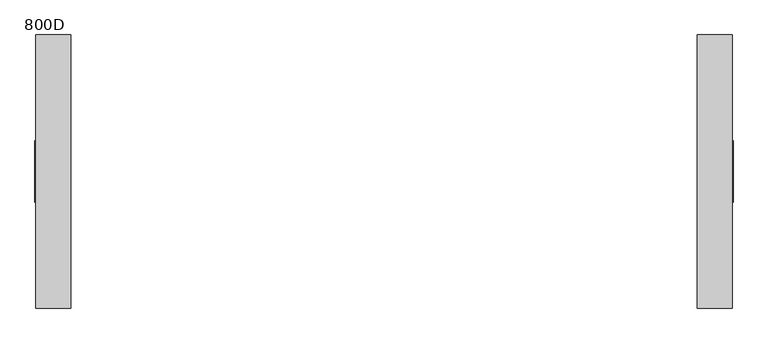
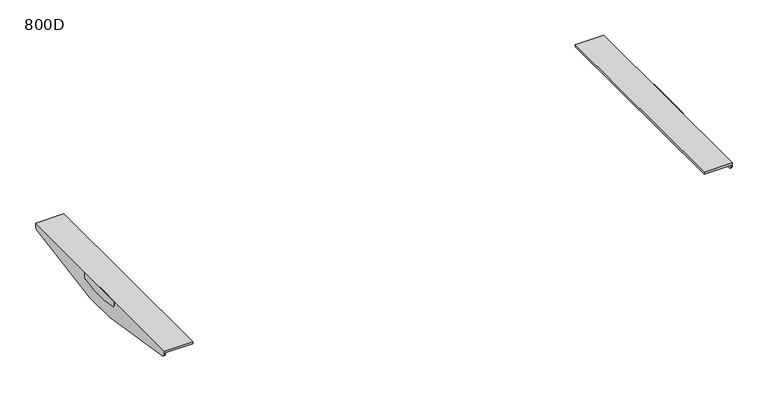
"""IFC4 building model written with IfcOpenShell, lengths in millimetres: furniture geometry, 800D."""

from ifc_helpers import new_model, si_unit, point, frame, frame_2d, origin, place, context, project, spatial, polyline, circle_curve, trimmed, segment, composite_curve, outline, extrude, source, transform, mapped, element, save
from ifc_brep_helpers import plane_surface, cylinder_surface, advanced_brep


def furniture_800d_034d00af(model_context):
    return source(origin(), model_context, "Body", "SolidModel", [
        advanced_brep(
        [(733.0000006, 287.4963324, 716.0), (733.0000006, 287.4963324, 708.4998128), (730.0000009, 287.4963324, 708.4998128), (730.0000009, 287.4963324, 710.4999723), (660.0000017, 287.4963324, 710.4999723), (660.0000017, 287.4963324, 716.0), (730.0000009, -287.5036993, 710.4999723), (730.0000009, -287.5036993, 708.4997591), (733.0000006, -287.5036993, 708.4997591), (733.0000006, -287.5036993, 716.0), (660.0000017, -287.5036993, 716.0), (660.0000017, -287.5036993, 710.4999723), (730.0000009, 279.1076002, 698.6304207), (730.0000009, 42.4967459, 660.0), (730.0000009, -42.5041219, 660.0), (730.0000009, -279.1150126, 698.6304207), (733.0000006, -279.1150126, 698.6304207), (733.0000006, -42.5041219, 660.0), (733.0000006, 42.4967459, 660.0), (733.0000006, 279.1076002, 698.6304207)],
        [
            (0, 1),
            (1, 2),
            (2, 3),
            (3, 4),
            (4, 5),
            (5, 0),
            (6, 7),
            (7, 8),
            (8, 9),
            (9, 10),
            (10, 11),
            (11, 6),
            (2, 12, circle_curve(frame((730.0000009, 277.4962677, 708.4998128), z_axis=(-1.0, 0.0, 0.0), x_axis=(0.0, -1.0, 0.0)), 10.0000647)),
            (12, 13),
            (13, 14),
            (14, 15),
            (15, 7, circle_curve(frame((730.0000009, -277.503689, 708.4997591), z_axis=(-1.0, 0.0, 0.0), x_axis=(0.0, -1.0, 0.0)), 10.0000103)),
            (6, 3),
            (11, 4),
            (10, 5),
            (9, 0),
            (8, 16, circle_curve(frame((733.0000006, -277.503689, 708.4997591), z_axis=(1.0, 0.0, 0.0), x_axis=(0.0, -1.0, 0.0)), 10.0000103)),
            (16, 17),
            (17, 18),
            (18, 19),
            (19, 1, circle_curve(frame((733.0000006, 277.4962677, 708.4998128), z_axis=(1.0, 0.0, 0.0), x_axis=(0.0, -1.0, 0.0)), 10.0000647)),
            (17, 14),
            (13, 18),
            (16, 15),
            (12, 19),
        ],
        [
            plane_surface(frame((733.0000006, 287.4963324, 660.0), z_axis=(0.0, 1.0, 0.0), x_axis=(1.0, 0.0, 0.0))),
            plane_surface(frame((733.0000006, -287.5036993, 660.0), z_axis=(0.0, -1.0, 0.0), x_axis=(-1.0, 0.0, 0.0))),
            plane_surface(frame((730.0000009, 287.4963324, 710.4999723), z_axis=(-1.0, 0.0, 0.0), x_axis=(0.0, -1.0, 0.0))),
            plane_surface(frame((660.0000017, 287.4963324, 710.4999723), z_axis=(0.0, 0.0, -1.0), x_axis=(0.0, -1.0, 0.0))),
            plane_surface(frame((660.0000017, 287.4963324, 716.0), z_axis=(-1.0, 0.0, 0.0), x_axis=(0.0, -1.0, 0.0))),
            plane_surface(frame((733.0000006, 287.4963324, 716.0), z_axis=(0.0, 0.0, 1.0), x_axis=(0.0, -1.0, 0.0))),
            plane_surface(frame((733.0000006, 287.4963324, 660.0), z_axis=(1.0, 0.0, 0.0), x_axis=(0.0, -1.0, 0.0))),
            plane_surface(frame((730.0000009, 287.4963324, 660.0), z_axis=(0.0, 0.0, -1.0), x_axis=(0.0, -1.0, 0.0))),
            plane_surface(frame((660.0000017, -42.5041219, 660.0), z_axis=(0.0, -0.16113218812194072, -0.9869328335560813), x_axis=(1.0, 0.0, 0.0))),
            cylinder_surface(frame((735.0, -277.503689, 708.4997591), z_axis=(1.0, 0.0, 0.0), x_axis=(0.0, -1.0, 0.0)), 10.0000103),
            plane_surface(frame((660.0000017, 279.1076002, 698.6304207), z_axis=(0.0, 0.16113221222328436, -0.9869328296211605), x_axis=(1.0, 0.0, 0.0))),
            cylinder_surface(frame((1200.0, 277.4962677, 708.4998128), z_axis=(1.0, 0.0, 0.0), x_axis=(0.0, -1.0, 0.0)), 10.0000647),
        ],
        [
            (0, [[1, 2, 3, 4, 5, 6]]),
            (1, [[7, 8, 9, 10, 11, 12]]),
            (2, [[-3, 13, 14, 15, 16, 17, -7, 18]]),
            (3, [[-18, -12, 19, -4]]),
            (4, [[-19, -11, 20, -5]]),
            (5, [[-20, -10, 21, -6]]),
            (6, [[-9, 22, 23, 24, 25, 26, -1, -21]]),
            (7, [[27, -15, 28, -24]]),
            (8, [[-16, -27, -23, 29]]),
            (9, [[-22, -8, -17, -29]]),
            (10, [[-25, -28, -14, 30]]),
            (11, [[-13, -2, -26, -30]]),
        ],
    ),
        extrude(outline(composite_curve([segment(polyline([(64.9962871, 716.0), (64.9962871, 705.7477915)]), True, "CONTINUOUS"), segment(trimmed(circle_curve(frame_2d((59.996269, 705.7477915)), 5.0000181), [point((64.9962871, 705.7477915))], [point((60.8043191, 700.8134996))], False, "CARTESIAN"), True, "CONTINUOUS"), segment(polyline([(60.8043191, 700.8134996), (21.9956935, 694.5405645), (-22.2562903, 694.5405645), (-60.8052275, 700.8531775)]), True, "CONTINUOUS"), segment(trimmed(circle_curve(frame_2d((-60.0513722, 705.7477915)), 4.9523271), [point((-60.8052275, 700.8531775))], [point((-65.0036994, 705.7477915))], False, "CARTESIAN"), True, "CONTINUOUS"), segment(polyline([(-65.0036994, 705.7477915), (-65.0036994, 716.0), (64.9962871, 716.0)]), True, "CONTINUOUS")], self_intersect=False)), frame((733.0000006, 0.0, 0.0), z_axis=(1.0, 0.0, 0.0), x_axis=(0.0, 1.0, 0.0)), (0.0, 0.0, 1.0), 1.9999994),
        advanced_brep(
        [(-730.0000009, 287.4963324, 710.4999723), (-730.0000009, 287.4963324, 708.4998128), (-733.0000006, 287.4963324, 708.4998128), (-733.0000006, 287.4963324, 716.0), (-660.0000017, 287.4963324, 716.0), (-660.0000017, 287.4963324, 710.4999723), (-733.0000006, -287.5036993, 716.0), (-733.0000006, -287.5036993, 708.4997591), (-730.0000009, -287.5036993, 708.4997591), (-730.0000009, -287.5036993, 710.4999723), (-660.0000017, -287.5036993, 710.4999723), (-660.0000017, -287.5036993, 716.0), (-730.0000009, -279.1150126, 698.6304207), (-730.0000009, -42.5041219, 660.0), (-730.0000009, 42.4967459, 660.0), (-730.0000009, 279.1076002, 698.6304207), (-733.0000006, 279.1076002, 698.6304207), (-733.0000006, 42.4967459, 660.0), (-733.0000006, -42.5041219, 660.0), (-733.0000006, -279.1150126, 698.6304207)],
        [
            (0, 1),
            (1, 2),
            (2, 3),
            (3, 4),
            (4, 5),
            (5, 0),
            (6, 7),
            (7, 8),
            (8, 9),
            (9, 10),
            (10, 11),
            (11, 6),
            (8, 12, circle_curve(frame((-730.0000009, -277.503689, 708.4997591), z_axis=(1.0, 0.0, 0.0), x_axis=(0.0, -1.0, 0.0)), 10.0000103)),
            (12, 13),
            (13, 14),
            (14, 15),
            (15, 1, circle_curve(frame((-730.0000009, 277.4962677, 708.4998128), z_axis=(1.0, 0.0, 0.0), x_axis=(0.0, -1.0, 0.0)), 10.0000647)),
            (0, 9),
            (5, 10),
            (4, 11),
            (3, 6),
            (2, 16, circle_curve(frame((-733.0000006, 277.4962677, 708.4998128), z_axis=(-1.0, 0.0, 0.0), x_axis=(0.0, -1.0, 0.0)), 10.0000647)),
            (16, 17),
            (17, 18),
            (18, 19),
            (19, 7, circle_curve(frame((-733.0000006, -277.503689, 708.4997591), z_axis=(-1.0, 0.0, 0.0), x_axis=(0.0, -1.0, 0.0)), 10.0000103)),
            (13, 18),
            (17, 14),
            (12, 19),
            (16, 15),
        ],
        [
            plane_surface(frame((-730.0000009, 287.4963324, 660.0), z_axis=(0.0, 1.0, 0.0), x_axis=(0.0, 0.0, 1.0))),
            plane_surface(frame((-730.0000009, -287.5036993, 660.0), z_axis=(0.0, -1.0, 0.0), x_axis=(0.0, 0.0, -1.0))),
            plane_surface(frame((-730.0000009, 287.4963324, 660.0), z_axis=(1.0, 0.0, 0.0), x_axis=(0.0, -1.0, 0.0))),
            plane_surface(frame((-730.0000009, 287.4963324, 710.4999723), z_axis=(0.0, 0.0, -1.0), x_axis=(0.0, -1.0, 0.0))),
            plane_surface(frame((-660.0000017, 287.4963324, 710.4999723), z_axis=(1.0, 0.0, 0.0), x_axis=(0.0, -1.0, 0.0))),
            plane_surface(frame((-660.0000017, 287.4963324, 716.0), z_axis=(0.0, 0.0, 1.0), x_axis=(0.0, -1.0, 0.0))),
            plane_surface(frame((-733.0000006, 287.4963324, 716.0), z_axis=(-1.0, 0.0, 0.0), x_axis=(0.0, -1.0, 0.0))),
            plane_surface(frame((-733.0000006, 287.4963324, 660.0), z_axis=(0.0, 0.0, -1.0), x_axis=(0.0, -1.0, 0.0))),
            plane_surface(frame((-660.0000017, -279.1150126, 698.6304207), z_axis=(0.0, -0.16113218812194124, -0.9869328335560812), x_axis=(-1.0, 0.0, 0.0))),
            cylinder_surface(frame((-733.0000006, -277.503689, 708.4997591), z_axis=(-1.0, 0.0, 0.0), x_axis=(0.0, -1.0, 0.0)), 10.0000103),
            plane_surface(frame((-660.0000017, 42.4967459, 660.0), z_axis=(0.0, 0.16113221222328436, -0.9869328296211605), x_axis=(-1.0, 0.0, 0.0))),
            cylinder_surface(frame((0.0, 277.4962677, 708.4998128), z_axis=(-1.0, 0.0, 0.0), x_axis=(0.0, -1.0, 0.0)), 10.0000647),
        ],
        [
            (0, [[1, 2, 3, 4, 5, 6]]),
            (1, [[7, 8, 9, 10, 11, 12]]),
            (2, [[-9, 13, 14, 15, 16, 17, -1, 18]]),
            (3, [[19, -10, -18, -6]]),
            (4, [[20, -11, -19, -5]]),
            (5, [[21, -12, -20, -4]]),
            (6, [[-3, 22, 23, 24, 25, 26, -7, -21]]),
            (7, [[27, -24, 28, -15]]),
            (8, [[-25, -27, -14, 29]]),
            (9, [[-13, -8, -26, -29]]),
            (10, [[-16, -28, -23, 30]]),
            (11, [[-22, -2, -17, -30]]),
        ],
    ),
        extrude(outline(composite_curve([segment(polyline([(64.9962871, 716.0), (64.9962871, 705.7477915)]), True, "CONTINUOUS"), segment(trimmed(circle_curve(frame_2d((59.996269, 705.7477915)), 5.0000181), [point((64.9962871, 705.7477915))], [point((60.8043191, 700.8134996))], False, "CARTESIAN"), True, "CONTINUOUS"), segment(polyline([(60.8043191, 700.8134996), (21.9956935, 694.5405645), (-22.2562903, 694.5405645), (-60.8052275, 700.8531775)]), True, "CONTINUOUS"), segment(trimmed(circle_curve(frame_2d((-60.0513722, 705.7477915)), 4.9523271), [point((-60.8052275, 700.8531775))], [point((-65.0036994, 705.7477915))], False, "CARTESIAN"), True, "CONTINUOUS"), segment(polyline([(-65.0036994, 705.7477915), (-65.0036994, 716.0), (64.9962871, 716.0)]), True, "CONTINUOUS")], self_intersect=False)), frame((-735.0, 0.0, 0.0), z_axis=(1.0, 0.0, 0.0), x_axis=(0.0, 1.0, 0.0)), (0.0, 0.0, 1.0), 1.9999994),
    ])


if __name__ == "__main__":
    model = new_model("IFC4")
    model_context = context("Model", 3, world=origin())
    ifc_project = project(units=[si_unit("LENGTHUNIT", "METRE", prefix="MILLI")], contexts=[model_context])
    site = spatial("IfcSite", under=ifc_project)
    building = spatial("IfcBuilding", under=site)
    placement = place(None, origin())
    furniture_800d_shape = furniture_800d_034d00af(model_context)
    element("IfcFurniture", 1, ObjectType="800D", at=placement, inside=building, context=model_context, shape_type="MappedRepresentation", body=[
        mapped(furniture_800d_shape, transform((0.0, 0.0, 0.0), x_axis=(1.0, 0.0, 0.0), y_axis=(0.0, 1.0, 0.0), z_axis=(0.0, 0.0, 1.0))),
    ])
    save(model, "model.ifc")
